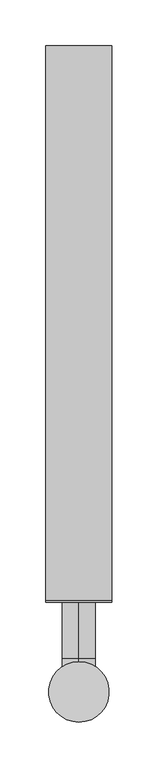
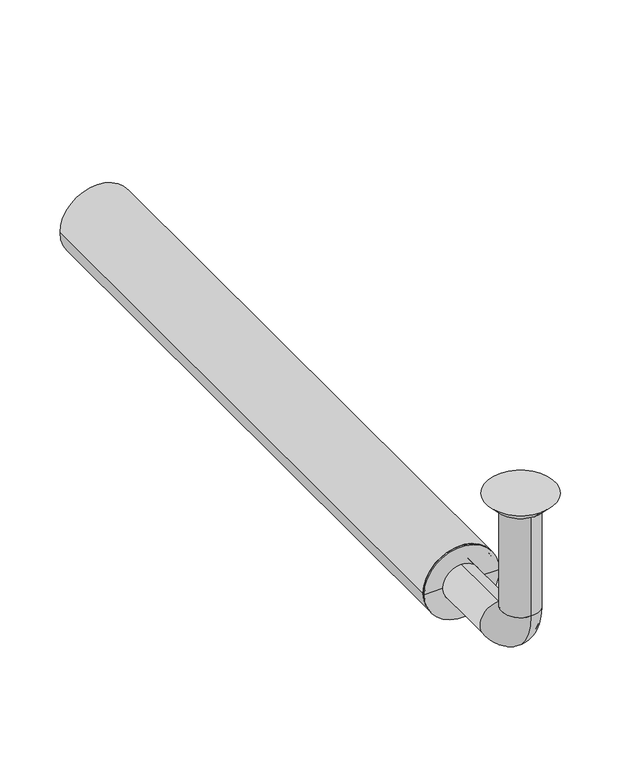
"""IFC4 building model written with IfcOpenShell, lengths in millimetres: beam geometry."""

from ifc_helpers import new_model, si_unit, point, frame, frame_2d, origin, place, context, project, spatial, polyline, circle_curve, ellipse_curve, trimmed, segment, composite_curve, outline, extrude, source, transform, mapped, element, save
from ifc_brep_helpers import plane_surface, cylinder_surface, revolved_surface, advanced_brep


def beam_feea5a1b(model_context):
    return source(origin(), model_context, "Body", "SolidModel", [
        extrude(outline(composite_curve([segment(trimmed(circle_curve(frame_2d((-150.0, 0.0)), 36.0), [point((-150.0, 36.0))], [point((-150.0, -36.0))], False, "CARTESIAN"), True, "CONTINUOUS"), segment(trimmed(circle_curve(frame_2d((-150.0, 0.0)), 36.0), [point((-150.0, -36.0))], [point((-150.0, 36.0))], False, "CARTESIAN"), True, "CONTINUOUS")], self_intersect=False), holes=[composite_curve([segment(trimmed(circle_curve(frame_2d((-150.0, 0.0)), 33.0), [point((-150.0, 33.0))], [point((-150.0, -33.0))], True, "CARTESIAN"), True, "CONTINUOUS"), segment(trimmed(circle_curve(frame_2d((-150.0, 0.0)), 33.0), [point((-150.0, -33.0))], [point((-150.0, 33.0))], True, "CARTESIAN"), True, "CONTINUOUS")], self_intersect=False)]), frame((0.0, 100.0, 0.0), z_axis=(0.0, 1.0, 0.0), x_axis=(0.0, 0.0, 1.0)), (0.0, 0.0, 1.0), 605.0),
        advanced_brep(
        [(0.0, -18.0, -10.0), (0.0, 18.0, -10.0), (0.0, -17.0, -10.0), (0.0, 17.0, -10.0), (0.0, -18.0, -114.0), (0.0, 18.0, -114.0), (0.0, -17.0, -114.0), (0.0, 17.0, -114.0), (0.0, 36.0, -132.0), (0.0, 36.0, -168.0), (0.0, 36.0, -133.0), (0.0, 36.0, -167.0), (0.0, 123.0, -168.0), (0.0, 123.0, -132.0), (0.0, 123.0, -167.0), (0.0, 123.0, -133.0)],
        [
            (0, 1, circle_curve(frame((0.0, 0.0, -10.0), z_axis=(0.0, 0.0, 1.0), x_axis=(0.0, 1.0, 0.0)), 18.0)),
            (1, 0, circle_curve(frame((0.0, 0.0, -10.0), z_axis=(0.0, 0.0, 1.0), x_axis=(0.0, 1.0, 0.0)), 18.0)),
            (2, 3, circle_curve(frame((0.0, 0.0, -10.0), z_axis=(0.0, 0.0, -1.0), x_axis=(0.0, 1.0, 0.0)), 17.0)),
            (3, 2, circle_curve(frame((0.0, 0.0, -10.0), z_axis=(0.0, 0.0, -1.0), x_axis=(0.0, 1.0, 0.0)), 17.0)),
            (0, 4),
            (4, 5, circle_curve(frame((0.0, 0.0, -114.0), z_axis=(0.0, 0.0, 1.0), x_axis=(0.0, 1.0, 0.0)), 18.0)),
            (5, 1),
            (5, 4, circle_curve(frame((0.0, 0.0, -114.0), z_axis=(0.0, 0.0, 1.0), x_axis=(0.0, 1.0, 0.0)), 18.0)),
            (2, 6),
            (6, 7, circle_curve(frame((0.0, 0.0, -114.0), z_axis=(0.0, 0.0, -1.0), x_axis=(0.0, 1.0, 0.0)), 17.0)),
            (7, 3),
            (7, 6, circle_curve(frame((0.0, 0.0, -114.0), z_axis=(0.0, 0.0, -1.0), x_axis=(0.0, 1.0, 0.0)), 17.0)),
            (8, 5, circle_curve(frame((0.0, 36.0, -114.0), z_axis=(-1.0, 0.0, 0.0), x_axis=(0.0, -1.0, 0.0)), 18.0)),
            (4, 9, circle_curve(frame((0.0, 36.0, -114.0), z_axis=(1.0, 0.0, 0.0), x_axis=(0.0, -1.0, 0.0)), 54.0)),
            (9, 8, circle_curve(frame((0.0, 36.0, -150.0), z_axis=(0.0, -1.0, 0.0), x_axis=(0.0, 0.0, 1.0)), 18.0)),
            (8, 9, circle_curve(frame((0.0, 36.0, -150.0), z_axis=(0.0, -1.0, 0.0), x_axis=(0.0, 0.0, 1.0)), 18.0)),
            (10, 7, circle_curve(frame((0.0, 36.0, -114.0), z_axis=(-1.0, 0.0, 0.0), x_axis=(0.0, -1.0, 0.0)), 19.0)),
            (6, 11, circle_curve(frame((0.0, 36.0, -114.0), z_axis=(1.0, 0.0, 0.0), x_axis=(0.0, -1.0, 0.0)), 53.0)),
            (11, 10, circle_curve(frame((0.0, 36.0, -150.0), z_axis=(0.0, 1.0, 0.0), x_axis=(0.0, 0.0, 1.0)), 17.0)),
            (10, 11, circle_curve(frame((0.0, 36.0, -150.0), z_axis=(0.0, 1.0, 0.0), x_axis=(0.0, 0.0, 1.0)), 17.0)),
            (12, 13, circle_curve(frame((0.0, 123.0, -150.0), z_axis=(0.0, 1.0, 0.0), x_axis=(0.0, 0.0, 1.0)), 18.0)),
            (13, 12, circle_curve(frame((0.0, 123.0, -150.0), z_axis=(0.0, 1.0, 0.0), x_axis=(0.0, 0.0, 1.0)), 18.0)),
            (14, 15, circle_curve(frame((0.0, 123.0, -150.0), z_axis=(0.0, -1.0, 0.0), x_axis=(0.0, 0.0, 1.0)), 17.0)),
            (15, 14, circle_curve(frame((0.0, 123.0, -150.0), z_axis=(0.0, -1.0, 0.0), x_axis=(0.0, 0.0, 1.0)), 17.0)),
            (9, 12),
            (13, 8),
            (11, 14),
            (15, 10),
        ],
        [
            plane_surface(frame((0.0, 0.0, -10.0), z_axis=(0.0, 0.0, 1.0), x_axis=(1.0, 0.0, 0.0))),
            cylinder_surface(frame((0.0, 0.0, -10.0), z_axis=(0.0, 0.0, 1.0), x_axis=(0.0, 1.0, 0.0)), 18.0),
            revolved_surface(polyline([(0.0, 17.0, -114.0), (0.0, 17.0, -10.0)]), (0.0, 0.0, -10.0), (0.0, 0.0, -1.0)),
            revolved_surface(trimmed(ellipse_curve(frame((0.0, 0.0, -114.0), z_axis=(0.0, 0.0, 1.0), x_axis=(0.0, 1.0, 0.0)), 18.0, 18.0), [point((0.0, -18.0, -114.0))], [point((0.0, 18.0, -114.0))], True, "CARTESIAN"), (0.0, 36.0, -114.0), (1.0, 0.0, 0.0)),
            revolved_surface(trimmed(ellipse_curve(frame((0.0, 0.0, -114.0), z_axis=(0.0, 0.0, 1.0), x_axis=(0.0, 1.0, 0.0)), 18.0, 18.0), [point((0.0, 18.0, -114.0))], [point((0.0, -18.0, -114.0))], True, "CARTESIAN"), (0.0, 36.0, -114.0), (1.0, 0.0, 0.0)),
            revolved_surface(trimmed(ellipse_curve(frame((0.0, 0.0, -114.0), z_axis=(0.0, 0.0, -1.0), x_axis=(0.0, 1.0, 0.0)), 17.0, 17.0), [point((0.0, -17.0, -114.0))], [point((0.0, 17.0, -114.0))], True, "CARTESIAN"), (0.0, 36.0, -114.0), (1.0, 0.0, 0.0)),
            revolved_surface(trimmed(ellipse_curve(frame((0.0, 0.0, -114.0), z_axis=(0.0, 0.0, -1.0), x_axis=(0.0, 1.0, 0.0)), 17.0, 17.0), [point((0.0, 17.0, -114.0))], [point((0.0, -17.0, -114.0))], True, "CARTESIAN"), (0.0, 36.0, -114.0), (1.0, 0.0, 0.0)),
            plane_surface(frame((0.0, 123.0, -150.0), z_axis=(0.0, 1.0, 0.0), x_axis=(1.0, 0.0, 0.0))),
            cylinder_surface(frame((0.0, 36.0, -150.0), z_axis=(0.0, -1.0, 0.0), x_axis=(0.0, 0.0, 1.0)), 18.0),
            revolved_surface(polyline([(0.0, 123.0, -133.0), (0.0, 36.0, -133.0)]), (0.0, 36.0, -150.0), (0.0, 1.0, 0.0)),
        ],
        [
            (0, [[1, 2], [3, 4]]),
            (1, [[-1, 5, 6, 7]]),
            (1, [[-2, -7, 8, -5]]),
            (2, [[-3, 9, 10, 11]]),
            (2, [[-4, -11, 12, -9]]),
            (3, [[13, -6, 14, 15]]),
            (4, [[-14, -8, -13, 16]]),
            (5, [[17, -10, 18, 19]]),
            (6, [[-18, -12, -17, 20]]),
            (7, [[21, 22], [23, 24]]),
            (8, [[-15, 25, -22, 26]]),
            (8, [[-16, -26, -21, -25]]),
            (9, [[-19, 27, -24, 28]]),
            (9, [[-20, -28, -23, -27]]),
        ],
    ),
        advanced_brep(
        [(0.0, 23.0, -10.0), (0.0, -23.0, -10.0), (0.0, 33.0, 0.0), (0.0, -33.0, 0.0)],
        [
            (0, 1, circle_curve(frame((0.0, 0.0, -10.0), z_axis=(0.0, 0.0, -1.0), x_axis=(0.0, 1.0, 0.0)), 23.0)),
            (1, 0, circle_curve(frame((0.0, 0.0, -10.0), z_axis=(0.0, 0.0, -1.0), x_axis=(0.0, -1.0, 0.0)), 23.0)),
            (2, 3, circle_curve(frame((0.0, 0.0, 0.0), z_axis=(0.0, 0.0, 1.0), x_axis=(0.0, -1.0, 0.0)), 33.0)),
            (3, 2, circle_curve(frame((0.0, 0.0, 0.0), z_axis=(0.0, 0.0, 1.0), x_axis=(0.0, 1.0, 0.0)), 33.0)),
            (3, 1),
            (0, 2),
        ],
        [
            plane_surface(frame((0.0, 0.0, -10.0), z_axis=(0.0, 0.0, -1.0), x_axis=(-1.0, 0.0, 0.0))),
            plane_surface(frame((0.0, 0.0, 0.0), z_axis=(0.0, 0.0, 1.0), x_axis=(-1.0, 0.0, 0.0))),
            revolved_surface(polyline([(0.0, 23.0, -10.0), (0.0, 33.0, 0.0)]), (0.0, 0.0, -33.0), (0.0, 0.0, 1.0)),
            revolved_surface(polyline([(0.0, -23.0, -10.0), (0.0, -33.0, 0.0)]), (0.0, 0.0, -33.0), (0.0, 0.0, 1.0)),
        ],
        [
            (0, [[1, 2]]),
            (1, [[3, 4]]),
            (2, [[-4, 5, -1, 6]]),
            (3, [[-3, -6, -2, -5]]),
        ],
    ),
        advanced_brep(
        [(33.0, 100.0, -150.0), (-33.0, 100.0, -150.0), (-33.0, 123.0, -150.0), (33.0, 123.0, -150.0), (-18.0, 123.0, -150.0), (18.0, 123.0, -150.0), (-18.0, 98.0, -150.0), (18.0, 98.0, -150.0), (-36.0, 98.0, -150.0), (36.0, 98.0, -150.0), (-36.0, 100.0, -150.0), (36.0, 100.0, -150.0)],
        [
            (0, 1, circle_curve(frame((0.0, 100.0, -150.0), z_axis=(0.0, 1.0, 0.0), x_axis=(-1.0, 0.0, 0.0)), 33.0)),
            (1, 2),
            (2, 3, circle_curve(frame((0.0, 123.0, -150.0), z_axis=(0.0, -1.0, 0.0), x_axis=(-1.0, 0.0, 0.0)), 33.0)),
            (3, 0),
            (1, 0, circle_curve(frame((0.0, 100.0, -150.0), z_axis=(0.0, 1.0, 0.0), x_axis=(-1.0, 0.0, 0.0)), 33.0)),
            (3, 2, circle_curve(frame((0.0, 123.0, -150.0), z_axis=(0.0, -1.0, 0.0), x_axis=(-1.0, 0.0, 0.0)), 33.0)),
            (2, 4),
            (4, 5, circle_curve(frame((0.0, 123.0, -150.0), z_axis=(0.0, -1.0, 0.0), x_axis=(-1.0, 0.0, 0.0)), 18.0)),
            (5, 3),
            (5, 4, circle_curve(frame((0.0, 123.0, -150.0), z_axis=(0.0, -1.0, 0.0), x_axis=(-1.0, 0.0, 0.0)), 18.0)),
            (4, 6),
            (6, 7, circle_curve(frame((0.0, 98.0, -150.0), z_axis=(0.0, -1.0, 0.0), x_axis=(-1.0, 0.0, 0.0)), 18.0)),
            (7, 5),
            (7, 6, circle_curve(frame((0.0, 98.0, -150.0), z_axis=(0.0, -1.0, 0.0), x_axis=(-1.0, 0.0, 0.0)), 18.0)),
            (6, 8),
            (8, 9, circle_curve(frame((0.0, 98.0, -150.0), z_axis=(0.0, -1.0, 0.0), x_axis=(-1.0, 0.0, 0.0)), 36.0)),
            (9, 7),
            (9, 8, circle_curve(frame((0.0, 98.0, -150.0), z_axis=(0.0, -1.0, 0.0), x_axis=(-1.0, 0.0, 0.0)), 36.0)),
            (8, 10),
            (10, 11, circle_curve(frame((0.0, 100.0, -150.0), z_axis=(0.0, -1.0, 0.0), x_axis=(-1.0, 0.0, 0.0)), 36.0)),
            (11, 9),
            (11, 10, circle_curve(frame((0.0, 100.0, -150.0), z_axis=(0.0, -1.0, 0.0), x_axis=(-1.0, 0.0, 0.0)), 36.0)),
            (10, 1),
            (0, 11),
        ],
        [
            cylinder_surface(frame((0.0, 98.0, -150.0), z_axis=(0.0, -1.0, 0.0), x_axis=(-1.0, 0.0, 0.0)), 33.0),
            plane_surface(frame((0.0, 123.0, -150.0), z_axis=(0.0, 1.0, 0.0), x_axis=(-1.0, 0.0, 0.0))),
            revolved_surface(polyline([(-18.0, 98.0, -150.0), (-18.0, 123.0, -150.0)]), (0.0, 98.0, -150.0), (0.0, -1.0, 0.0)),
            plane_surface(frame((0.0, 98.0, -150.0), z_axis=(0.0, -1.0, 0.0), x_axis=(-1.0, 0.0, 0.0))),
            cylinder_surface(frame((0.0, 98.0, -150.0), z_axis=(0.0, -1.0, 0.0), x_axis=(-1.0, 0.0, 0.0)), 36.0),
            plane_surface(frame((0.0, 100.0, -150.0), z_axis=(0.0, 1.0, 0.0), x_axis=(-1.0, 0.0, 0.0))),
        ],
        [
            (0, [[1, 2, 3, 4]]),
            (0, [[5, -4, 6, -2]]),
            (1, [[-3, 7, 8, 9]]),
            (1, [[-6, -9, 10, -7]]),
            (2, [[-8, 11, 12, 13]]),
            (2, [[-10, -13, 14, -11]]),
            (3, [[-12, 15, 16, 17]]),
            (3, [[-14, -17, 18, -15]]),
            (4, [[-16, 19, 20, 21]]),
            (4, [[-18, -21, 22, -19]]),
            (5, [[-20, 23, -1, 24]]),
            (5, [[-22, -24, -5, -23]]),
        ],
    ),
    ])


if __name__ == "__main__":
    model = new_model("IFC4")
    model_context = context("Model", 3, world=origin())
    ifc_project = project(units=[si_unit("LENGTHUNIT", "METRE", prefix="MILLI")], contexts=[model_context])
    site = spatial("IfcSite", under=ifc_project)
    building = spatial("IfcBuilding", under=site)
    placement = place(None, origin())
    beam_shape = beam_feea5a1b(model_context)
    element("IfcBeam", 1, at=placement, inside=building, context=model_context, shape_type="MappedRepresentation", body=[
        mapped(beam_shape, transform((0.0, 0.0, 0.0), x_axis=(1.0, 0.0, 0.0), y_axis=(0.0, 1.0, 0.0), z_axis=(0.0, 0.0, 1.0))),
    ])
    save(model, "model.ifc")
